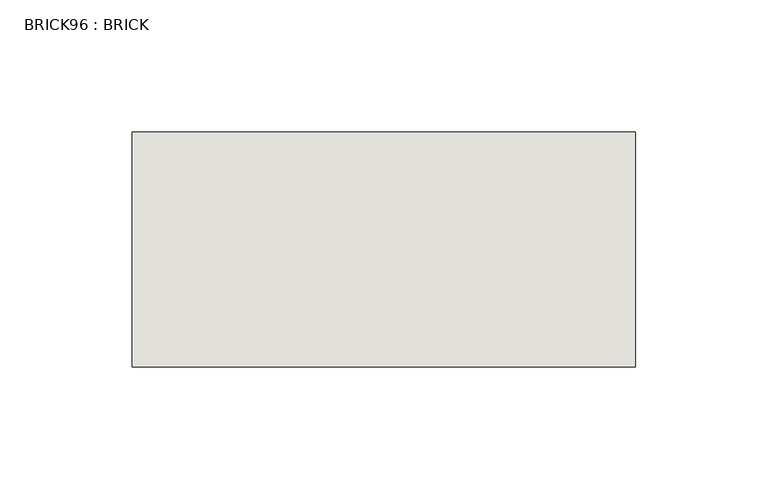
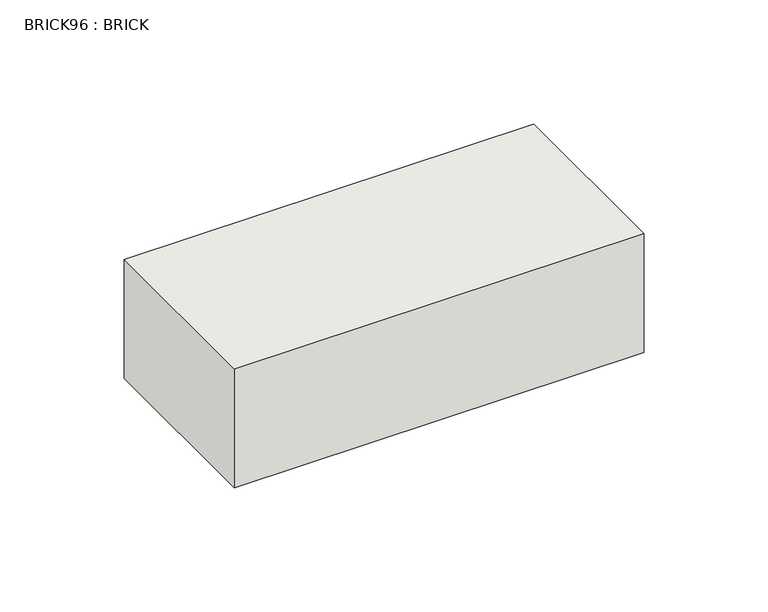
"""IFC4 building model written with IfcOpenShell, lengths in millimetres: wall geometry, BRICK96 : BRICK."""

from ifc_helpers import new_model, si_unit, frame, origin, place, context, project, spatial, polyline, outline, extrude, source, transform, mapped, element, save


def brick96_brick_4234aa0b(model_context):
    return source(origin(), model_context, "Body", "SweptSolid", [
        extrude(outline(polyline([(1444.4530711, 2586.2274125), (1634.9530711, 2586.2274125), (1634.9530711, 2497.3274125), (1444.4530711, 2497.3274125), (1444.4530711, 2586.2274125)])), frame((0.0, 0.0, 493.4148438), z_axis=(0.0, 0.0, 1.0), x_axis=(1.0, 0.0, 0.0)), (0.0, 0.0, 1.0), 58.4398437),
    ])


if __name__ == "__main__":
    model = new_model("IFC4")
    model_context = context("Model", 3, world=origin())
    ifc_project = project(units=[si_unit("LENGTHUNIT", "METRE", prefix="MILLI")], contexts=[model_context])
    site = spatial("IfcSite", under=ifc_project)
    building = spatial("IfcBuilding", under=site)
    placement = place(None, origin())
    brick96_brick_shape = brick96_brick_4234aa0b(model_context)
    element("IfcWall", 1, ObjectType="BRICK96 : BRICK", at=placement, inside=building, context=model_context, shape_type="MappedRepresentation", body=[
        mapped(brick96_brick_shape, transform((0.0, 0.0, 0.0), x_axis=(1.0, 0.0, 0.0), y_axis=(0.0, 1.0, 0.0), z_axis=(0.0, 0.0, 1.0))),
    ])
    save(model, "model.ifc")
